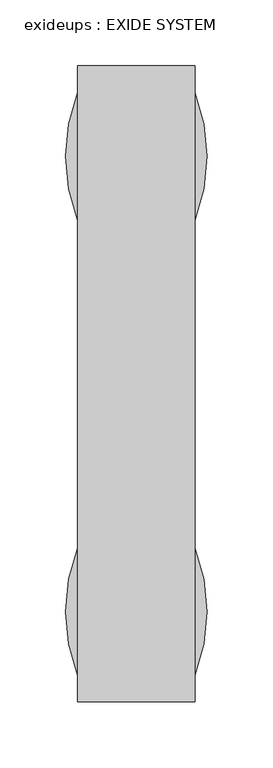
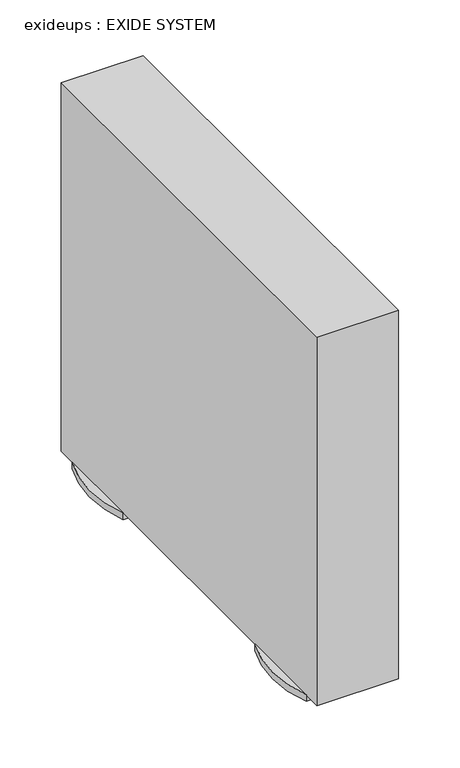
"""IFC4 building model written with IfcOpenShell, lengths in millimetres: proxy geometry, exideups : EXIDE SYSTEM."""

from ifc_helpers import new_model, si_unit, point, frame, frame_2d, origin, origin_with_axes, place, context, project, spatial, polyline, circle_curve, trimmed, segment, composite_curve, outline, extrude, source, transform, mapped, element, save


def exideups_exide_system_ba378a09(model_context):
    return source(origin(), model_context, "Body", "SweptSolid", [
        extrude(outline(composite_curve([segment(trimmed(circle_curve(frame_2d((135.8731027, -194.5179876)), 131.6536334), [point((13.3803622, -242.7694923))], [point((13.3803622, -146.2664829))], False, "CARTESIAN"), True, "CONTINUOUS"), segment(polyline([(13.3803622, -146.2664829), (102.2803622, -146.2664829)]), True, "CONTINUOUS"), segment(trimmed(circle_curve(frame_2d((-20.2123784, -194.5179876)), 131.6536334), [point((102.2803622, -146.2664829))], [point((102.2803622, -242.7694923))], False, "CARTESIAN"), True, "CONTINUOUS"), segment(polyline([(102.2803622, -242.7694923), (13.3803622, -242.7694923)]), True, "CONTINUOUS")], self_intersect=False)), origin_with_axes(), (0.0, 0.0, 1.0), 7.5410893),
        extrude(outline(composite_curve([segment(trimmed(circle_curve(frame_2d((-20.2123784, -539.8161246)), 131.6536334), [point((102.2803622, -491.5646199))], [point((102.2803622, -588.0676293))], False, "CARTESIAN"), True, "CONTINUOUS"), segment(polyline([(102.2803622, -588.0676293), (13.3803622, -588.0676293)]), True, "CONTINUOUS"), segment(trimmed(circle_curve(frame_2d((135.8731027, -539.8161246)), 131.6536334), [point((13.3803622, -588.0676293))], [point((13.3803622, -491.5646199))], False, "CARTESIAN"), True, "CONTINUOUS"), segment(polyline([(13.3803622, -491.5646199), (102.2803622, -491.5646199)]), True, "CONTINUOUS")], self_intersect=False)), origin_with_axes(), (0.0, 0.0, 1.0), 7.5410893),
        extrude(outline(polyline([(13.3803622, -125.8670561), (102.2803622, -125.8670561), (102.2803622, -608.4670561), (13.3803622, -608.4670561), (13.3803622, -125.8670561)])), frame((0.0, 0.0, 7.5410893), z_axis=(0.0, 0.0, 1.0), x_axis=(1.0, 0.0, 0.0)), (0.0, 0.0, 1.0), 424.2589107),
    ])


if __name__ == "__main__":
    model = new_model("IFC4")
    model_context = context("Model", 3, world=origin())
    ifc_project = project(units=[si_unit("LENGTHUNIT", "METRE", prefix="MILLI")], contexts=[model_context])
    site = spatial("IfcSite", under=ifc_project)
    building = spatial("IfcBuilding", under=site)
    placement = place(None, origin())
    exideups_exide_system_shape = exideups_exide_system_ba378a09(model_context)
    element("IfcBuildingElementProxy", 1, Name="exideups : EXIDE SYSTEM", ObjectType="exideups : EXIDE SYSTEM", at=placement, inside=building, context=model_context, shape_type="MappedRepresentation", body=[
        mapped(exideups_exide_system_shape, transform((0.0, 0.0, 0.0), x_axis=(1.0, 0.0, 0.0), y_axis=(0.0, 1.0, 0.0), z_axis=(0.0, 0.0, 1.0))),
    ])
    save(model, "model.ifc")
